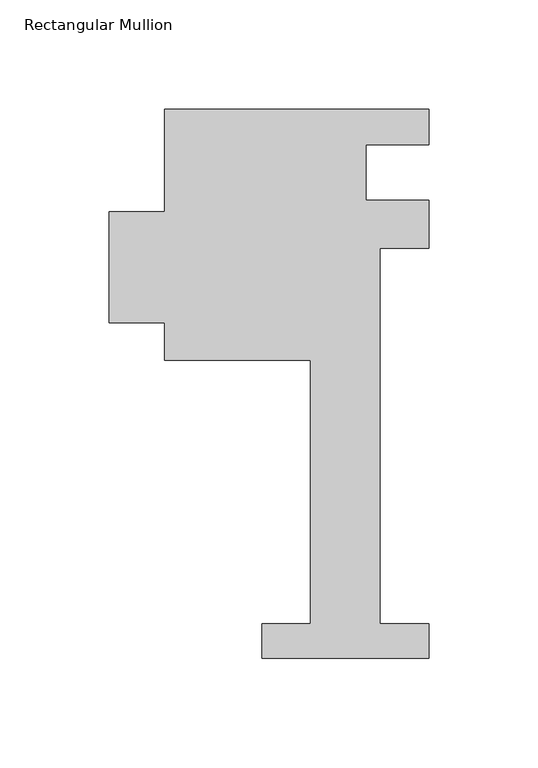
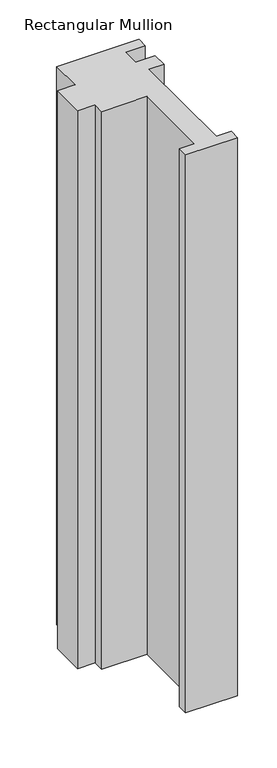
"""IFC4 building model written with IfcOpenShell, lengths in millimetres: member geometry, Rectangular Mullion."""

from ifc_helpers import new_model, si_unit, frame, origin, place, context, project, spatial, polyline, outline, extrude, source, transform, mapped, element, save


def rectangular_mullion_80852215(model_context):
    return source(origin(), model_context, "Body", "SweptSolid", [
        extrude(outline(polyline([(-38.1, -221.996), (-38.1, -206.121), (-15.875, -206.121), (-15.875, -85.7445803), (-82.55, -85.7445803), (-82.55, -68.6906436), (-107.95, -68.6906436), (-107.95, -17.8906436), (-82.55, -17.8906436), (-82.55, 28.8092863), (38.1, 28.8092863), (38.1, 12.7), (9.525, 12.7), (9.525, -12.7), (38.1, -12.7), (38.1, -34.671), (15.875, -34.671), (15.875, -206.121), (38.1, -206.121), (38.1, -221.996), (-38.1, -221.996)])), frame((0.0, 0.0, -864.0895825), z_axis=(0.0, 0.0, 1.0), x_axis=(1.0, 0.0, 0.0)), (0.0, 0.0, 1.0), 864.0895825),
    ])


if __name__ == "__main__":
    model = new_model("IFC4")
    model_context = context("Model", 3, world=origin())
    ifc_project = project(units=[si_unit("LENGTHUNIT", "METRE", prefix="MILLI")], contexts=[model_context])
    site = spatial("IfcSite", under=ifc_project)
    building = spatial("IfcBuilding", under=site)
    placement = place(None, origin())
    rectangular_mullion_shape = rectangular_mullion_80852215(model_context)
    element("IfcMember", 1, ObjectType="Rectangular Mullion", at=placement, inside=building, context=model_context, shape_type="MappedRepresentation", body=[
        mapped(rectangular_mullion_shape, transform((0.0, 0.0, 0.0), x_axis=(1.0, 0.0, 0.0), y_axis=(0.0, 1.0, 0.0), z_axis=(0.0, 0.0, 1.0))),
    ])
    save(model, "model.ifc")
